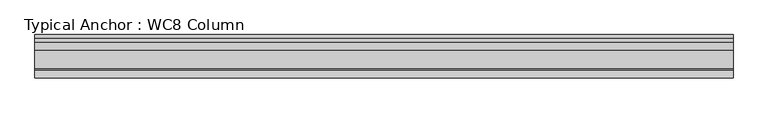
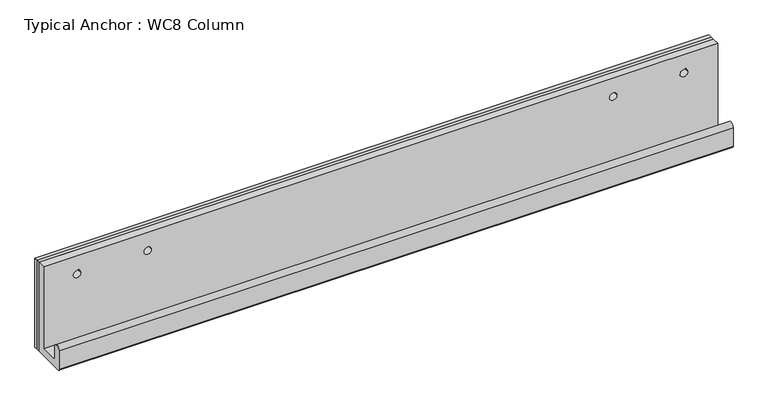
"""IFC4 building model written with IfcOpenShell, lengths in millimetres: fastener geometry, Typical Anchor : WC8 Column."""

import ifcopenshell
import ifcopenshell.guid

model = None  # the IFC model being written
_history = None  # IfcOwnerHistory: only IFC2X3 demands one
_inside = {}  # id of a spatial element -> (the spatial element, [elements in it])
_under = {}  # id of a project, library or spatial element -> (it, [spatial elements below it])
_declared = {}  # id of a project -> (the project, [libraries it declares])
_typed = {}  # id of a type object -> (the type object, [elements of that type])
_made_of = {}  # id of a material, layer set ... -> (it, [elements and type objects made of it])


def new_model(schema):
    """Start an empty IFC model of exactly this schema.

    Asked for "IFC4X3", IfcOpenShell would pick the latest addendum, in which some entities
    have other attributes; the version numbers below select the first issue.
    IFC2X3 requires an IfcOwnerHistory on every rooted entity: one is made here for all.
    """
    global model, _history
    if schema == "IFC4X3":
        model = ifcopenshell.file(schema_version=(4, 3, 0, 0))
    else:
        model = ifcopenshell.file(schema=schema)
    _inside.clear()
    _under.clear()
    _declared.clear()
    _typed.clear()
    _made_of.clear()
    _history = None
    if model.schema == "IFC2X3":
        org = make("IfcOrganization", Name="unknown")
        user = make(
            "IfcPersonAndOrganization",
            ThePerson=make("IfcPerson", FamilyName="unknown"),
            TheOrganization=org,
        )
        app = make(
            "IfcApplication",
            ApplicationDeveloper=org,
            Version="unknown",
            ApplicationFullName="unknown",
            ApplicationIdentifier="unknown",
        )
        _history = make(
            "IfcOwnerHistory",
            OwningUser=user,
            OwningApplication=app,
            ChangeAction="ADDED",
            CreationDate=0,
        )
    return model


def make(cls, **values):
    """One entity of the class cls with the attributes given. An attribute that is None is left unset."""
    return model.create_entity(
        cls, **{name: value for name, value in values.items() if value is not None}
    )


def rooted(cls, **values):
    """An entity with a GlobalId (a new one), such as an element, a storey or a relation."""
    return make(cls, GlobalId=ifcopenshell.guid.new(), OwnerHistory=_history, **values)


def si_unit(unit_type, name, prefix=None):
    """IfcSIUnit, for example si_unit("LENGTHUNIT", "METRE", prefix="MILLI")."""
    return make("IfcSIUnit", UnitType=unit_type, Prefix=prefix, Name=name)


def assignment(units):
    """IfcUnitAssignment: the units of a project."""
    return None if units is None else make("IfcUnitAssignment", Units=units)


def point(xyz):
    """IfcCartesianPoint."""
    return None if xyz is None else make("IfcCartesianPoint", Coordinates=xyz)


def direction(xyz):
    """IfcDirection."""
    return None if xyz is None else make("IfcDirection", DirectionRatios=xyz)


def frame(location, z_axis=None, x_axis=None):
    """IfcAxis2Placement3D, a coordinate frame: its origin and axes. An axis left out is left unset."""
    return make(
        "IfcAxis2Placement3D",
        Location=point(location),
        Axis=direction(z_axis),
        RefDirection=direction(x_axis),
    )


def origin():
    """The frame at (0, 0, 0) with its axes left unset."""
    return frame((0.0, 0.0, 0.0))


def origin_with_axes():
    """The frame at (0, 0, 0) with the z axis (0, 0, 1) and the x axis (1, 0, 0) written out."""
    return frame((0.0, 0.0, 0.0), z_axis=(0.0, 0.0, 1.0), x_axis=(1.0, 0.0, 0.0))


def place(relative_to, where):
    """IfcLocalPlacement: puts the frame where relative to a parent placement (None: the world)."""
    return make(
        "IfcLocalPlacement", PlacementRelTo=relative_to, RelativePlacement=where
    )


def context(
    kind, dimensions, precision=None, world=None, true_north=None, identifier=None
):
    """IfcGeometricRepresentationContext, for example the 3D "Model" context."""
    return make(
        "IfcGeometricRepresentationContext",
        ContextIdentifier=identifier,
        ContextType=kind,
        CoordinateSpaceDimension=dimensions,
        Precision=precision,
        WorldCoordinateSystem=world,
        TrueNorth=true_north,
    )


def project(units=None, contexts=None):
    """IfcProject with its units and contexts."""
    return rooted(
        "IfcProject",
        Name="project",
        RepresentationContexts=contexts,
        UnitsInContext=assignment(units),
    )


def spatial(cls, under=None, at=None, **own):
    """A site, building, storey or space (cls), placed at a placement, below another one or the project."""
    s = rooted(cls, ObjectPlacement=at, **own)
    if under is not None:
        _under.setdefault(under.id(), (under, []))[1].append(s)
    return s


def polyline(points):
    """IfcPolyline through the points."""
    return make("IfcPolyline", Points=[point(p) for p in points])


def circle_curve(where, radius):
    """IfcCircle in the frame where."""
    return make("IfcCircle", Position=where, Radius=radius)


def outline(outer, holes=None, kind="AREA"):
    """IfcArbitraryClosedProfileDef: a profile drawn as a closed curve; with holes, ...WithVoids."""
    if holes is None:
        return make("IfcArbitraryClosedProfileDef", ProfileType=kind, OuterCurve=outer)
    return make(
        "IfcArbitraryProfileDefWithVoids",
        ProfileType=kind,
        OuterCurve=outer,
        InnerCurves=holes,
    )


def extrude(swept, where, along, depth):
    """IfcExtrudedAreaSolid: the profile swept, set in the frame where, extruded along a direction by depth."""
    return make(
        "IfcExtrudedAreaSolid",
        SweptArea=swept,
        Position=where,
        ExtrudedDirection=direction(along),
        Depth=depth,
    )


def shape(context_of_items, identifier, shape_type, items):
    """IfcShapeRepresentation: the items that make up one representation, for example the "Body"."""
    return make(
        "IfcShapeRepresentation",
        ContextOfItems=context_of_items,
        RepresentationIdentifier=identifier,
        RepresentationType=shape_type,
        Items=items,
    )


def source(mapping_origin, context_of_items, identifier, shape_type, items):
    """IfcRepresentationMap: a shape defined once, which mapped items show again and again."""
    return make(
        "IfcRepresentationMap",
        MappingOrigin=mapping_origin,
        MappedRepresentation=shape(context_of_items, identifier, shape_type, items),
    )


def transform(
    local_origin,
    x_axis=None,
    y_axis=None,
    z_axis=None,
    scale=None,
    scale2=None,
    scale3=None,
    uniform=True,
):
    """IfcCartesianTransformationOperator3D, or its non-uniform kind. x_axis, y_axis, z_axis: its Axis1, 2, 3."""
    if uniform:
        return make(
            "IfcCartesianTransformationOperator3D",
            Axis1=direction(x_axis),
            Axis2=direction(y_axis),
            LocalOrigin=point(local_origin),
            Scale=scale,
            Axis3=direction(z_axis),
        )
    return make(
        "IfcCartesianTransformationOperator3DnonUniform",
        Axis1=direction(x_axis),
        Axis2=direction(y_axis),
        LocalOrigin=point(local_origin),
        Scale=scale,
        Axis3=direction(z_axis),
        Scale2=scale2,
        Scale3=scale3,
    )


def mapped(mapping_source, mapping_target):
    """IfcMappedItem: shows the shape of a source again, moved by a transform."""
    return make(
        "IfcMappedItem", MappingSource=mapping_source, MappingTarget=mapping_target
    )


def made_of(thing, what):
    """Note that an element or type object is made of a material, layer set ...; save() writes the relation."""
    if what is not None:
        _made_of.setdefault(what.id(), (what, []))[1].append(thing)
    return thing


def element(
    cls,
    number,
    at=None,
    inside=None,
    cuts=None,
    type_object=None,
    material=None,
    context=None,
    identifier="Body",
    shape_type=None,
    held_by="IfcProductDefinitionShape",
    body=None,
    shapes=None,
    **own,
):
    """One element of the class cls, such as IfcWall. Its Tag is "e" and its number.

    at: its placement. inside: the storey or other place that contains it. cuts: it is an
    opening in that element (IfcRelVoidsElement). A single representation is given by context,
    identifier, shape_type and body (its items); several are given by shapes. held_by: the class
    of the entity that holds the representations. save() writes the other relations.
    """
    e = rooted(cls, Tag="e%d" % number, ObjectPlacement=at, **own)
    if body is not None:
        shapes = [shape(context, identifier, shape_type, body)]
    if shapes is not None:
        e.Representation = make(held_by, Representations=shapes)
    if inside is not None:
        _inside.setdefault(inside.id(), (inside, []))[1].append(e)
    if cuts is not None:
        rooted(
            "IfcRelVoidsElement", RelatingBuildingElement=cuts, RelatedOpeningElement=e
        )
    if type_object is not None:
        _typed.setdefault(type_object.id(), (type_object, []))[1].append(e)
    return made_of(e, material)


def aggregate(whole, parts):
    """IfcRelAggregates: a whole, such as a stair, and the parts it consists of."""
    return rooted("IfcRelAggregates", RelatingObject=whole, RelatedObjects=parts)


def save(model, path):
    """Write the relations noted so far, then the file.

    IfcRelAggregates (storeys below a building ...), IfcRelContainedInSpatialStructure (elements
    in a storey), IfcRelDefinesByType, IfcRelAssociatesMaterial and IfcRelDeclares: one each for
    every whole, place, type object, material and project.
    """
    for whole, parts in _under.values():
        aggregate(whole, parts)
    for where, things in _inside.values():
        rooted(
            "IfcRelContainedInSpatialStructure",
            RelatedElements=things,
            RelatingStructure=where,
        )
    for kind, things in _typed.values():
        rooted("IfcRelDefinesByType", RelatedObjects=things, RelatingType=kind)
    for what, things in _made_of.values():
        rooted("IfcRelAssociatesMaterial", RelatedObjects=things, RelatingMaterial=what)
    for by, libraries in _declared.values():
        rooted("IfcRelDeclares", RelatingContext=by, RelatedDefinitions=libraries)
    model.write(path)


def plane_surface(at):
    """IfcPlane: the flat surface through the origin of the frame at, square to its z axis."""
    return make("IfcPlane", Position=at)


def cylinder_surface(at, radius):
    """IfcCylindricalSurface: all points at the distance radius from the z axis of the frame at."""
    return make("IfcCylindricalSurface", Position=at, Radius=radius)


def revolved_surface(curve, axis_point, axis_direction):
    """IfcSurfaceOfRevolution: the curve turned about the line through axis_point along axis_direction."""
    return make(
        "IfcSurfaceOfRevolution",
        SweptCurve=make("IfcArbitraryOpenProfileDef", ProfileType="CURVE", Curve=curve),
        AxisPosition=make("IfcAxis1Placement", Location=point(axis_point), Axis=direction(axis_direction)),
    )


def advanced_brep(points, edges, surfaces, faces):
    """IfcAdvancedBrep: a solid bounded by faces that lie on surfaces and meet in shared edges.

    An edge is (start, end): straight between two places in points (the first is 0);
    or (start, end, curve); or (start, end, curve, False) where it runs against its curve.
    A face is (place in surfaces, loops), or (place, loops, False) where it looks against
    its surface's normal. A loop lists edges by number (the first is 1), with a minus sign
    where the edge is run from its end to its start. The first loop is the outer one.
    """
    corners = [point(p) for p in points]
    vertices = [make("IfcVertexPoint", VertexGeometry=c) for c in corners]
    made = []
    for start, end, *more in edges:
        made.append(
            make(
                "IfcEdgeCurve",
                EdgeStart=vertices[start],
                EdgeEnd=vertices[end],
                EdgeGeometry=more[0] if more else make("IfcPolyline", Points=[corners[start], corners[end]]),
                SameSense=more[1] if len(more) > 1 else True,
            )
        )
    hull = []
    for where, loops, *sense in faces:
        bounds = []
        for j, loop in enumerate(loops):
            ring = [make("IfcOrientedEdge", EdgeElement=made[abs(k) - 1], Orientation=k > 0) for k in loop]
            bounds.append(
                make(
                    "IfcFaceOuterBound" if j == 0 else "IfcFaceBound",
                    Bound=make("IfcEdgeLoop", EdgeList=ring),
                    Orientation=True,
                )
            )
        hull.append(make("IfcAdvancedFace", Bounds=bounds, FaceSurface=surfaces[where], SameSense=sense[0] if sense else True))
    return make("IfcAdvancedBrep", Outer=make("IfcClosedShell", CfsFaces=hull))


def typical_anchor_wc8_column_68b5dea2(model_context):
    return source(origin(), model_context, "Body", "SolidModel", [
        advanced_brep(
        [(-523.875, -12.7, 127.0), (-523.875, -25.4, 127.0), (-511.175, -25.4, 127.0), (-511.175, -12.7, 127.0), (574.675, -12.7, 160.3375), (574.675, -25.4, 160.3375), (574.675, -25.4, 12.7), (574.675, -55.5625, 12.7), (574.675, -58.7375, 15.875), (574.675, -58.7375, 36.5125), (574.675, -71.4375, 36.5125), (574.675, -71.4375, 3.175), (574.675, -68.2625, 0.0), (574.675, -12.7, 0.0), (-574.675, -12.7, 160.3375), (-574.675, -12.7, 0.0), (-574.675, -68.2625, 0.0), (-574.675, -71.4375, 3.175), (-574.675, -71.4375, 36.5125), (-574.675, -58.7375, 36.5125), (-574.675, -58.7375, 15.875), (-574.675, -55.5625, 12.7), (-574.675, -25.4, 12.7), (-574.675, -25.4, 160.3375), (511.175, -12.7, 127.0), (511.175, -25.4, 127.0), (523.875, -25.4, 127.0), (523.875, -12.7, 127.0), (-390.525, -25.4, 127.0), (-403.225, -25.4, 127.0), (403.225, -25.4, 127.0), (390.525, -25.4, 127.0), (-403.225, -12.7, 127.0), (-390.525, -12.7, 127.0), (390.525, -12.7, 127.0), (403.225, -12.7, 127.0)],
        [
            (0, 1),
            (1, 2, circle_curve(frame((-517.525, -25.4, 127.0), z_axis=(0.0, -1.0, 0.0), x_axis=(1.0, 0.0, 0.0)), 6.35)),
            (2, 3),
            (3, 0, circle_curve(frame((-517.525, -12.7, 127.0), z_axis=(0.0, 1.0, 0.0), x_axis=(1.0, 0.0, 0.0)), 6.35)),
            (0, 3, circle_curve(frame((-517.525, -12.7, 127.0), z_axis=(0.0, 1.0, 0.0), x_axis=(1.0, 0.0, 0.0)), 6.35)),
            (2, 1, circle_curve(frame((-517.525, -25.4, 127.0), z_axis=(0.0, -1.0, 0.0), x_axis=(1.0, 0.0, 0.0)), 6.35)),
            (4, 5),
            (5, 6),
            (6, 7),
            (7, 8, circle_curve(frame((574.675, -55.5625, 15.875), z_axis=(-1.0, 0.0, 0.0), x_axis=(0.0, -1.0, 0.0)), 3.175)),
            (8, 9),
            (9, 10, circle_curve(frame((574.675, -65.0875, 36.5125), z_axis=(1.0, 0.0, 0.0), x_axis=(0.0, -1.0, 0.0)), 6.35)),
            (10, 11),
            (11, 12, circle_curve(frame((574.675, -68.2625, 3.175), z_axis=(1.0, 0.0, 0.0), x_axis=(0.0, -1.0, 0.0)), 3.175)),
            (12, 13),
            (13, 4),
            (14, 15),
            (15, 16),
            (16, 17, circle_curve(frame((-574.675, -68.2625, 3.175), z_axis=(-1.0, 0.0, 0.0), x_axis=(0.0, -1.0, 0.0)), 3.175)),
            (17, 18),
            (18, 19, circle_curve(frame((-574.675, -65.0875, 36.5125), z_axis=(-1.0, 0.0, 0.0), x_axis=(0.0, -1.0, 0.0)), 6.35)),
            (19, 20),
            (20, 21, circle_curve(frame((-574.675, -55.5625, 15.875), z_axis=(1.0, 0.0, 0.0), x_axis=(0.0, -1.0, 0.0)), 3.175)),
            (21, 22),
            (22, 23),
            (23, 14),
            (4, 14),
            (23, 5),
            (24, 25),
            (25, 26, circle_curve(frame((517.525, -25.4, 127.0), z_axis=(0.0, -1.0, 0.0), x_axis=(-1.0, 0.0, 0.0)), 6.35)),
            (26, 27),
            (27, 24, circle_curve(frame((517.525, -12.7, 127.0), z_axis=(0.0, 1.0, 0.0), x_axis=(-1.0, 0.0, 0.0)), 6.35)),
            (24, 27, circle_curve(frame((517.525, -12.7, 127.0), z_axis=(0.0, 1.0, 0.0), x_axis=(-1.0, 0.0, 0.0)), 6.35)),
            (26, 25, circle_curve(frame((517.525, -25.4, 127.0), z_axis=(0.0, -1.0, 0.0), x_axis=(-1.0, 0.0, 0.0)), 6.35)),
            (22, 6),
            (28, 29, circle_curve(frame((-396.875, -25.4, 127.0), z_axis=(0.0, 1.0, 0.0), x_axis=(1.0, 0.0, 0.0)), 6.35)),
            (29, 28, circle_curve(frame((-396.875, -25.4, 127.0), z_axis=(0.0, 1.0, 0.0), x_axis=(1.0, 0.0, 0.0)), 6.35)),
            (30, 31, circle_curve(frame((396.875, -25.4, 127.0), z_axis=(0.0, 1.0, 0.0), x_axis=(-1.0, 0.0, 0.0)), 6.35)),
            (31, 30, circle_curve(frame((396.875, -25.4, 127.0), z_axis=(0.0, 1.0, 0.0), x_axis=(-1.0, 0.0, 0.0)), 6.35)),
            (21, 7),
            (20, 8),
            (19, 9),
            (18, 10),
            (17, 11),
            (16, 12),
            (15, 13),
            (32, 33, circle_curve(frame((-396.875, -12.7, 127.0), z_axis=(0.0, -1.0, 0.0), x_axis=(1.0, 0.0, 0.0)), 6.35)),
            (33, 32, circle_curve(frame((-396.875, -12.7, 127.0), z_axis=(0.0, -1.0, 0.0), x_axis=(1.0, 0.0, 0.0)), 6.35)),
            (34, 35, circle_curve(frame((396.875, -12.7, 127.0), z_axis=(0.0, -1.0, 0.0), x_axis=(-1.0, 0.0, 0.0)), 6.35)),
            (35, 34, circle_curve(frame((396.875, -12.7, 127.0), z_axis=(0.0, -1.0, 0.0), x_axis=(-1.0, 0.0, 0.0)), 6.35)),
            (32, 29),
            (28, 33),
            (34, 31),
            (30, 35),
        ],
        [
            revolved_surface(polyline([(-511.17499999999995, -25.400000000000006, 127.0), (-511.17499999999995, -12.699999999999989, 127.0)]), (-517.525, 176.9675317, 127.0), (0.0, -1.0, 0.0)),
            plane_surface(frame((574.675, -25.4, 160.3375), z_axis=(1.0, 0.0, 0.0), x_axis=(0.0, -1.0, 0.0))),
            plane_surface(frame((-574.675, -25.4, 160.3375), z_axis=(-1.0, 0.0, 0.0), x_axis=(0.0, 1.0, 0.0))),
            plane_surface(frame((574.675, -12.7, 160.3375), z_axis=(0.0, 0.0, 1.0), x_axis=(-1.0, 0.0, 0.0))),
            revolved_surface(polyline([(511.17499999999995, -25.400000000000006, 127.0), (511.17499999999995, -12.699999999999989, 127.0)]), (517.525, 176.9675317, 127.0), (0.0, -1.0, 0.0)),
            plane_surface(frame((574.675, -25.4, 160.3375), z_axis=(0.0, -1.0, 0.0), x_axis=(-1.0, 0.0, 0.0))),
            plane_surface(frame((574.675, -25.4, 12.7), z_axis=(0.0, 0.0, 1.0), x_axis=(-1.0, 0.0, 0.0))),
            revolved_surface(polyline([(-574.675, -58.7375, 15.875), (574.675, -58.7375, 15.875)]), (-574.675, -55.5625, 15.875), (-1.0, 0.0, 0.0)),
            plane_surface(frame((574.675, -58.7375, 15.875), z_axis=(0.0, 1.0, 0.0), x_axis=(-1.0, 0.0, 0.0))),
            cylinder_surface(frame((-574.675, -65.0875, 36.5125), z_axis=(1.0, 0.0, 0.0), x_axis=(0.0, -1.0, 0.0)), 6.35),
            plane_surface(frame((574.675, -71.4375, 36.5125), z_axis=(0.0, -1.0, 0.0), x_axis=(-1.0, 0.0, 0.0))),
            cylinder_surface(frame((-574.675, -68.2625, 3.175), z_axis=(1.0, 0.0, 0.0), x_axis=(0.0, -1.0, 0.0)), 3.175),
            plane_surface(frame((574.675, -68.2625, 0.0), z_axis=(0.0, 0.0, -1.0), x_axis=(-1.0, 0.0, 0.0))),
            plane_surface(frame((574.675, -12.7, 0.0), z_axis=(0.0, 1.0, 0.0), x_axis=(-1.0, 0.0, 0.0))),
            revolved_surface(polyline([(-390.525, -25.400000000000006, 127.0), (-390.525, -12.699999999999989, 127.0)]), (-396.875, 176.9675317, 127.0), (0.0, -1.0, 0.0)),
            revolved_surface(polyline([(390.525, -25.400000000000006, 127.0), (390.525, -12.699999999999989, 127.0)]), (396.875, 176.9675317, 127.0), (0.0, -1.0, 0.0)),
        ],
        [
            (0, [[1, 2, 3, 4]]),
            (0, [[-1, 5, -3, 6]]),
            (1, [[7, 8, 9, 10, 11, 12, 13, 14, 15, 16]]),
            (2, [[17, 18, 19, 20, 21, 22, 23, 24, 25, 26]]),
            (3, [[-7, 27, -26, 28]]),
            (4, [[29, 30, 31, 32]]),
            (4, [[-29, 33, -31, 34]]),
            (5, [[-8, -28, -25, 35], [-2, -6], [-30, -34], [36, 37], [38, 39]]),
            (6, [[-9, -35, -24, 40]]),
            (7, [[-10, -40, -23, 41]]),
            (8, [[-11, -41, -22, 42]]),
            (9, [[-12, -42, -21, 43]]),
            (10, [[-13, -43, -20, 44]]),
            (11, [[-14, -44, -19, 45]]),
            (12, [[-15, -45, -18, 46]]),
            (13, [[-16, -46, -17, -27], [-4, -5], [-32, -33], [47, 48], [49, 50]]),
            (14, [[51, -36, 52, -47]]),
            (14, [[-51, -48, -52, -37]]),
            (15, [[53, -38, 54, -49]]),
            (15, [[-53, -50, -54, -39]]),
        ],
    ),
        extrude(outline(polyline([(574.675, -6.35), (574.675, -12.7), (-574.675, -12.7), (-574.675, -6.35), (574.675, -6.35)])), origin_with_axes(), (0.0, 0.0, 1.0), 160.3375),
        extrude(outline(polyline([(574.675, 0.0), (574.675, -6.35), (-574.675, -6.35), (-574.675, 0.0), (574.675, 0.0)])), origin_with_axes(), (0.0, 0.0, 1.0), 160.3375),
    ])


if __name__ == "__main__":
    model = new_model("IFC4")
    model_context = context("Model", 3, world=origin())
    ifc_project = project(units=[si_unit("LENGTHUNIT", "METRE", prefix="MILLI")], contexts=[model_context])
    site = spatial("IfcSite", under=ifc_project)
    building = spatial("IfcBuilding", under=site)
    placement = place(None, origin())
    typical_anchor_wc8_column_shape = typical_anchor_wc8_column_68b5dea2(model_context)
    element("IfcFastener", 1, ObjectType="Typical Anchor : WC8 Column", at=placement, inside=building, context=model_context, shape_type="MappedRepresentation", body=[
        mapped(typical_anchor_wc8_column_shape, transform((0.0, 0.0, 0.0), x_axis=(1.0, 0.0, 0.0), y_axis=(0.0, 1.0, 0.0), z_axis=(0.0, 0.0, 1.0))),
    ])
    save(model, "model.ifc")
